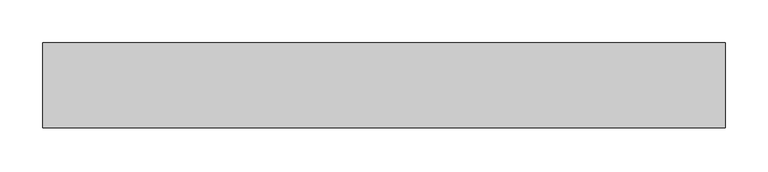
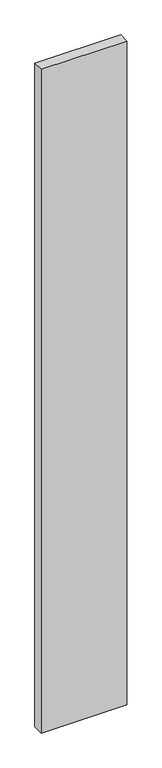
"""IFC4 building model written with IfcOpenShell, lengths in millimetres: proxy geometry."""

from ifc_helpers import new_model, si_unit, frame, origin, place, context, project, spatial, polyline, outline, extrude, source, transform, mapped, element, save


def generic_models_ab6297bf(model_context):
    return source(origin(), model_context, "Body", "SweptSolid", [
        extrude(outline(polyline([(800.0, 100.0), (800.0, 0.0), (0.0, 0.0), (0.0, 100.0), (800.0, 100.0)])), frame((0.0, 0.0, -6550.0), z_axis=(0.0, 0.0, 1.0), x_axis=(1.0, 0.0, 0.0)), (0.0, 0.0, 1.0), 6550.0),
    ])


if __name__ == "__main__":
    model = new_model("IFC4")
    model_context = context("Model", 3, world=origin())
    ifc_project = project(units=[si_unit("LENGTHUNIT", "METRE", prefix="MILLI")], contexts=[model_context])
    site = spatial("IfcSite", under=ifc_project)
    building = spatial("IfcBuilding", under=site)
    placement = place(None, origin())
    generic_models_shape = generic_models_ab6297bf(model_context)
    element("IfcBuildingElementProxy", 1, Name="Generic Models", at=placement, inside=building, context=model_context, shape_type="MappedRepresentation", body=[
        mapped(generic_models_shape, transform((0.0, 0.0, 0.0), x_axis=(1.0, 0.0, 0.0), y_axis=(0.0, 1.0, 0.0), z_axis=(0.0, 0.0, 1.0))),
    ])
    save(model, "model.ifc")
